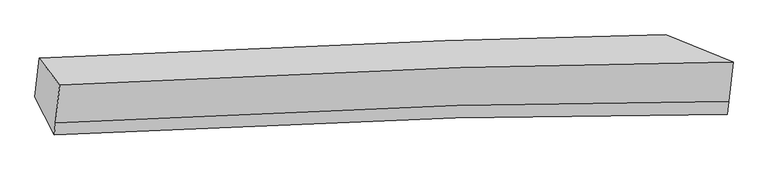
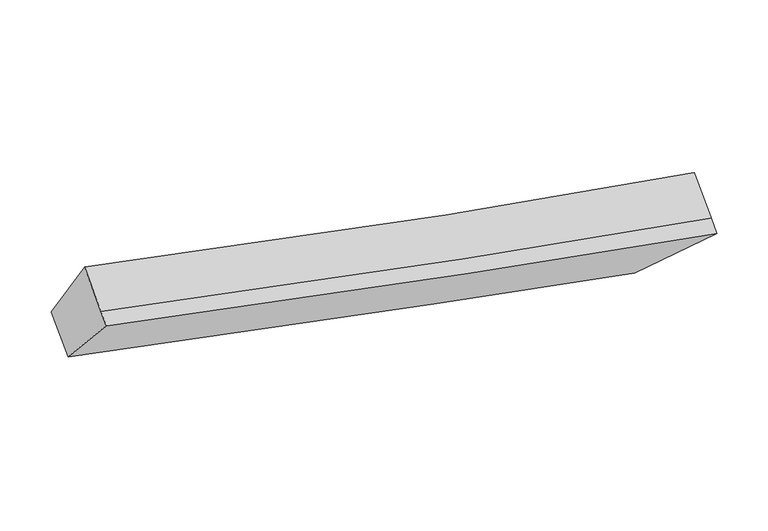
"""IFC4 building model written with IfcOpenShell, lengths in millimetres: proxy geometry."""

from ifc_helpers import new_model, si_unit, frame, origin, place, context, project, spatial, source, transform, mapped, element, save
from ifc_brep_helpers import plane_surface, spline_curve, spline_surface, advanced_brep


def generic_models_b99c0b90(model_context):
    return source(origin(), model_context, "Body", "AdvancedBrep", [
        advanced_brep(
        [(-3176.5602775, -1826.6991936, 3731.4273685), (-2970.3029299, -2095.5675487, 4338.0862235), (3796.9287392, -1865.2812386, 2920.4469672), (3118.6437995, -1590.0749174, 2377.4058441), (-3011.9460987, -2477.1565727, 4073.1346493), (3753.9366924, -2259.2304425, 2646.9132564), (-3025.3386032, -2599.8761652, 3987.9258326), (3739.6513543, -2390.1313411, 2556.0238519), (-3218.8227331, -2213.9629316, 3462.5356275), (3074.2128727, -1997.209016, 2094.7173663)],
        [
            (0, 1),
            (1, 2, spline_curve(3, [(-2970.3029299, -2095.5675487, 4338.0862235), (-1707.038874962, -2020.693740938, 4012.946797243), (-362.753531122, -1962.772087641, 3708.233477988), (1943.088999744, -1896.492167075, 3248.317321816), (2854.547545924, -1877.651716653, 3080.484222778), (3796.9287392, -1865.2812386, 2920.4469672)], [4, 2, 4], [0.0, 13.551946730709872, 21.92416315440257])),
            (2, 3),
            (3, 0, spline_curve(3, [(3118.6437995, -1590.0749174, 2377.4058441), (2421.017888346, -1603.363272517, 2500.961357219), (1683.794145769, -1623.079168892, 2643.151684639), (-350.453665068, -1691.540489612, 3064.301411285), (-1711.631281161, -1750.699351874, 3373.451591576), (-3176.5602775, -1826.6991936, 3731.4273685)], [4, 2, 4], [0.0, 8.372216423692699, 21.92416315440257])),
            (1, 4),
            (4, 5, spline_curve(3, [(-3011.9460987, -2477.1565727, 4073.1346493), (-1748.232169128, -2398.160428462, 3750.857516294), (-403.946825737, -2340.238775261, 3446.144196292), (1901.167904523, -2280.627916873, 2981.597460537), (2812.176824603, -2265.90752625, 2810.903649032), (3753.9366924, -2259.2304425, 2646.9132564)], [4, 2, 4], [0.0, 14.03390197869933, 22.703864085937145])),
            (5, 2),
            (4, 6),
            (6, 7, spline_curve(3, [(-3025.3386032, -2599.8761652, 3987.9258326), (-1761.326897809, -2518.151411664, 3667.543274926), (-417.041554451, -2460.229758813, 3362.82995502), (1887.591438177, -2405.03320849, 2895.21819978), (2798.302746797, -2393.039919869, 2722.630858987), (3739.6513543, -2390.1313411, 2556.0238519)], [4, 2, 4], [0.0, 14.033986178838145, 22.70400030382655])),
            (7, 5),
            (6, 8),
            (8, 9, spline_curve(3, [(-3218.8227331, -2213.9629316, 3462.5356275), (-1753.170513853, -2131.335976619, 3109.161304052), (-391.992897758, -2072.177114344, 2800.011123778), (1641.0848923, -2014.437051272, 2371.417225521), (2377.58581094, -2001.344608552, 2224.627985886), (3074.2128727, -1997.209016, 2094.7173663)], [4, 2, 4], [0.0, 13.552106972097183, 21.924422390834746])),
            (9, 7),
            (8, 0),
            (3, 9),
        ],
        [
            spline_surface(3, 3, [[(-3176.5602775, -1826.6991936, 3731.4273685), (-1711.63128137, -1750.699351779, 3373.451591702), (-350.453664948, -1691.540489441, 3064.301411202), (1683.794145695, -1623.079168998, 2643.15168469), (2421.017888269, -1603.363272634, 2500.961357083), (3118.6437995, -1590.0749174, 2377.4058441)], [(-3107.807828319, -1916.321978626, 3933.646986839), (-1710.100479194, -1840.697481431, 3586.61666028), (-354.553620352, -1781.95102222, 3278.945433421), (1770.225763733, -1714.216834958, 2844.873563805), (2565.527774128, -1694.79275392, 2694.135645677), (3344.738779404, -1681.810357788, 2558.419551803)], [(-3039.055379081, -2005.944763674, 4135.866605161), (-1708.569676962, -1930.695611103, 3799.781728841), (-358.653575782, -1872.361555069, 3493.589455556), (1856.657381745, -1805.354500987, 3046.595442834), (2710.037659974, -1786.22223524, 2887.309934263), (3570.833759296, -1773.545798212, 2739.433259497)], [(-2970.3029299, -2095.5675487, 4338.0862235), (-1707.038874786, -2020.693740754, 4012.94679742), (-362.753531186, -1962.772087849, 3708.233477775), (1943.088999783, -1896.492166947, 3248.317321948), (2854.547545833, -1877.651716526, 3080.484222857), (3796.9287392, -1865.2812386, 2920.4469672)]], [4, 4], [4, 2, 4], [0.0, 2.267982240228359], [0.0, 13.551946730709872, 21.92416315440257]),
            spline_surface(3, 3, [[(-2970.3029299, -2095.5675487, 4338.0862235), (-1707.038874786, -2020.693740754, 4012.94679742), (-362.753531186, -1962.772087849, 3708.233477775), (1943.088999783, -1896.492166947, 3248.317321948), (2854.547545833, -1877.651716526, 3080.484222857), (3796.9287392, -1865.2812386, 2920.4469672)], [(-2984.183986161, -2222.763890043, 4249.769032098), (-1720.769972896, -2146.515969938, 3925.583703638), (-376.484629295, -2088.594317032, 3620.870383993), (1929.115301327, -2024.53741691, 3159.410701445), (2840.423972038, -2007.070319812, 2990.624031623), (3782.598056923, -1996.597639913, 2829.269063602)], [(-2998.065042439, -2349.960231357, 4161.451840702), (-1734.501071023, -2272.338199091, 3838.220609864), (-390.215727422, -2214.416546186, 3533.507290219), (1915.141602853, -2152.582666842, 3070.50408095), (2826.300398274, -2136.488923058, 2900.763840383), (3768.267374677, -2127.914041187, 2738.091159998)], [(-3011.9460987, -2477.1565727, 4073.1346493), (-1748.232169132, -2398.160428274, 3750.857516082), (-403.946825532, -2340.238775369, 3446.144196437), (1901.167904397, -2280.627916806, 2981.597460447), (2812.176824479, -2265.907526345, 2810.903649148), (3753.9366924, -2259.2304425, 2646.9132564)]], [4, 4], [4, 2, 4], [0.0, 1.5225690335022606], [0.0, 14.03390197869933, 22.703864085937145]),
            spline_surface(3, 3, [[(-3011.9460987, -2477.1565727, 4073.1346493), (-1748.232169132, -2398.160428274, 3750.857516082), (-403.946825532, -2340.238775369, 3446.144196437), (1901.167904397, -2280.627916806, 2981.597460447), (2812.176824479, -2265.907526345, 2810.903649148), (3753.9366924, -2259.2304425, 2646.9132564)], [(-3016.41026685, -2518.063103525, 4044.731710392), (-1752.597078731, -2438.157422801, 3723.086102346), (-408.311735131, -2380.235769896, 3418.372782701), (1896.642415605, -2322.096347326, 2952.804373502), (2807.552131951, -2308.284990883, 2781.479385783), (3749.17491304, -2302.86407538, 2616.616788232)], [(-3020.87443505, -2558.969634375, 4016.328771508), (-1756.96198838, -2478.154417352, 3695.314688634), (-412.67664468, -2420.232764447, 3390.601368989), (1892.116926863, -2363.564777871, 2924.01128658), (2802.927439402, -2350.662455382, 2752.055122422), (3744.41313366, -2346.49770822, 2586.320320068)], [(-3025.3386032, -2599.8761652, 3987.9258326), (-1761.326897979, -2518.151411879, 3667.543274898), (-417.041554279, -2460.229758974, 3362.829955254), (1887.591438071, -2405.033208391, 2895.218199635), (2798.302746874, -2393.03991992, 2722.630859057), (3739.6513543, -2390.1313411, 2556.0238519)]], [4, 4], [4, 2, 4], [0.0, 0.4870515018877266], [0.0, 14.033986178838145, 22.70400030382655]),
            spline_surface(3, 3, [[(-3025.3386032, -2599.8761652, 3987.9258326), (-1761.326897979, -2518.151411879, 3667.543274898), (-417.041554279, -2460.229758974, 3362.829955254), (1887.591438071, -2405.033208391, 2895.218199635), (2798.302746874, -2393.03991992, 2722.630859057), (3739.6513543, -2390.1313411, 2556.0238519)], [(-3089.833313186, -2471.238420656, 3812.79576425), (-1758.608103294, -2389.212933401, 3481.415951307), (-408.692002014, -2330.878877368, 3175.223678022), (1805.422589457, -2274.8344894, 2720.617874966), (2658.063768278, -2262.474816116, 2556.6299013), (3517.838527106, -2259.157232732, 2402.255023364)], [(-3154.328023114, -2342.600676144, 3637.66569585), (-1755.889308552, -2260.274454954, 3295.288627667), (-400.34244981, -2201.527995743, 2987.617400808), (1723.253740783, -2144.635770391, 2546.017550315), (2517.824789663, -2131.909712317, 2390.628943552), (3296.025699894, -2128.183124368, 2248.486194836)], [(-3218.8227331, -2213.9629316, 3462.5356275), (-1753.170513867, -2131.335976476, 3109.161304076), (-391.992897545, -2072.177114137, 2800.011123576), (1641.084892169, -2014.4370514, 2371.417225646), (2377.585811066, -2001.344608512, 2224.627985795), (3074.2128727, -1997.209016, 2094.7173663)]], [4, 4], [4, 2, 4], [0.0, 2.218969663338479], [0.0, 13.552106972097183, 21.924422390834746]),
            spline_surface(3, 3, [[(-3218.8227331, -2213.9629316, 3462.5356275), (-1753.170513867, -2131.335976476, 3109.161304076), (-391.992897545, -2072.177114137, 2800.011123576), (1641.084892169, -2014.4370514, 2371.417225646), (2377.585811066, -2001.344608512, 2224.627985795), (3074.2128727, -1997.209016, 2094.7173663)], [(-3204.735247885, -2084.875018949, 3552.166207821), (-1739.324103019, -2004.457101592, 3197.258066606), (-378.146486698, -1945.298239254, 2888.107886106), (1655.321309993, -1883.984423948, 2461.995378648), (2392.063170127, -1868.684163206, 2316.739109557), (3089.023181627, -1861.497649787, 2188.9468589)], [(-3190.647762715, -1955.787106251, 3641.796788179), (-1725.477692217, -1877.578226662, 3285.354829172), (-364.300075796, -1818.419364324, 2976.204648672), (1669.557727871, -1753.53179645, 2552.573531688), (2406.540529208, -1736.02371794, 2408.85023332), (3103.833490573, -1725.786283613, 2283.1763515)], [(-3176.5602775, -1826.6991936, 3731.4273685), (-1711.63128137, -1750.699351779, 3373.451591702), (-350.453664948, -1691.540489441, 3064.301411202), (1683.794145695, -1623.079168998, 2643.15168469), (2421.017888269, -1603.363272634, 2500.961357083), (3118.6437995, -1590.0749174, 2377.4058441)]], [4, 4], [4, 2, 4], [0.0, 1.5406673658999084], [0.0, 13.069737941036852, 21.144052046430076]),
            plane_surface(frame((3432.3591915, -1960.6741283, 2487.1485073), z_axis=(0.6673465948610262, 0.3742457515293082, -0.6438855797342076), x_axis=(-0.739376090646003, 0.43658036122827765, -0.5125627617871007))),
            plane_surface(frame((-3097.7561359, -2184.0264598, 3879.993763), z_axis=(-0.954498841662847, -0.09264963832701577, 0.28345723801335004), x_axis=(-0.08928336299906665, -0.8181306164983799, -0.5680587781555337))),
        ],
        [
            (0, [[1, 2, 3, 4]]),
            (1, [[5, 6, 7, -2]]),
            (2, [[8, 9, 10, -6]]),
            (3, [[11, 12, 13, -9]]),
            (4, [[14, -4, 15, -12]]),
            (5, [[-13, -15, -3, -7, -10]]),
            (6, [[-14, -11, -8, -5, -1]]),
        ],
    ),
    ])


if __name__ == "__main__":
    model = new_model("IFC4")
    model_context = context("Model", 3, world=origin())
    ifc_project = project(units=[si_unit("LENGTHUNIT", "METRE", prefix="MILLI")], contexts=[model_context])
    site = spatial("IfcSite", under=ifc_project)
    building = spatial("IfcBuilding", under=site)
    placement = place(None, origin())
    generic_models_shape = generic_models_b99c0b90(model_context)
    element("IfcBuildingElementProxy", 1, Name="Generic Models", at=placement, inside=building, context=model_context, shape_type="MappedRepresentation", body=[
        mapped(generic_models_shape, transform((0.0, 0.0, 0.0), x_axis=(1.0, 0.0, 0.0), y_axis=(0.0, 1.0, 0.0), z_axis=(0.0, 0.0, 1.0))),
    ])
    save(model, "model.ifc")
